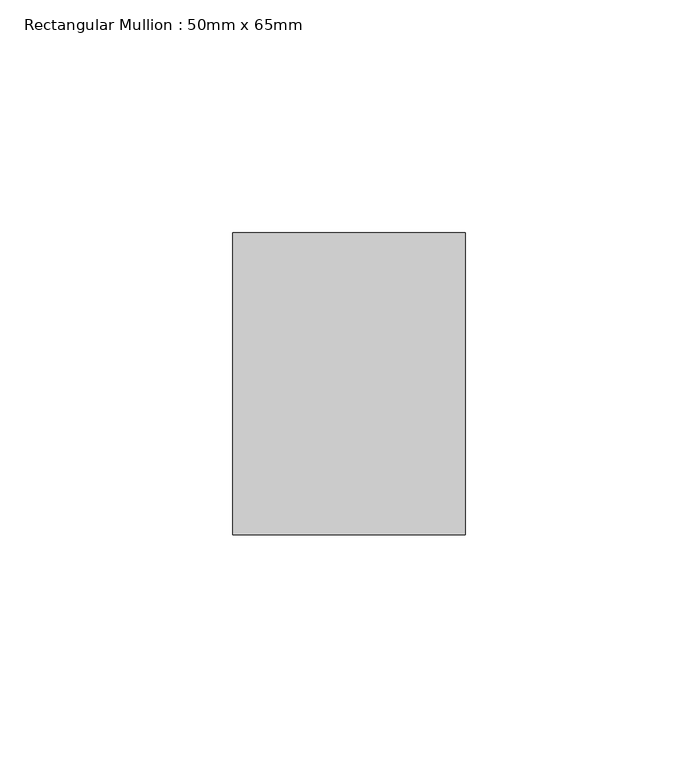
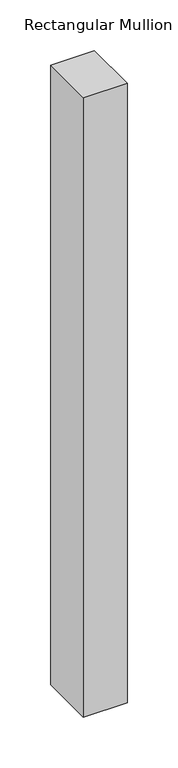
"""IFC4 building model written with IfcOpenShell, lengths in millimetres: member geometry, Rectangular Mullion : 50mm x 65mm."""

from ifc_helpers import new_model, si_unit, frame, origin, place, context, project, spatial, polyline, outline, extrude, source, transform, mapped, element, save


def rectangular_mullion_50mm_x_65mm_b8c36141(model_context):
    return source(origin(), model_context, "Body", "SweptSolid", [
        extrude(outline(polyline([(25.0, 32.5), (25.0, -32.5), (-25.0, -32.5), (-25.0, 32.5), (25.0, 32.5)])), frame((0.0, 0.0, -748.3580288), z_axis=(0.0, 0.0, 1.0), x_axis=(1.0, 0.0, 0.0)), (0.0, 0.0, 1.0), 748.3580288),
    ])


if __name__ == "__main__":
    model = new_model("IFC4")
    model_context = context("Model", 3, world=origin())
    ifc_project = project(units=[si_unit("LENGTHUNIT", "METRE", prefix="MILLI")], contexts=[model_context])
    site = spatial("IfcSite", under=ifc_project)
    building = spatial("IfcBuilding", under=site)
    placement = place(None, origin())
    rectangular_mullion_50mm_x_65mm_shape = rectangular_mullion_50mm_x_65mm_b8c36141(model_context)
    element("IfcMember", 1, ObjectType="Rectangular Mullion : 50mm x 65mm", at=placement, inside=building, context=model_context, shape_type="MappedRepresentation", body=[
        mapped(rectangular_mullion_50mm_x_65mm_shape, transform((0.0, 0.0, 0.0), x_axis=(1.0, 0.0, 0.0), y_axis=(0.0, 1.0, 0.0), z_axis=(0.0, 0.0, 1.0))),
    ])
    save(model, "model.ifc")
